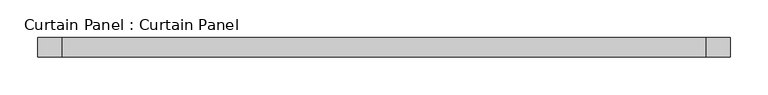
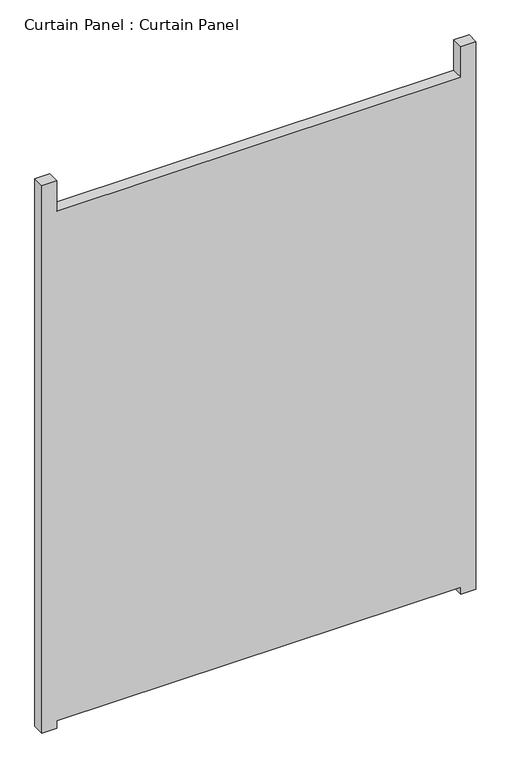
"""IFC4 building model written with IfcOpenShell, lengths in millimetres: plate geometry, Curtain Panel : Curtain Panel."""

from ifc_helpers import new_model, si_unit, frame, origin, place, context, project, spatial, polyline, outline, extrude, source, transform, mapped, element, save


def curtain_panel_curtain_panel_1bf83f31(model_context):
    return source(origin(), model_context, "Body", "SweptSolid", [
        extrude(outline(polyline([(1758.3024539, -39845.7944373), (1774.1774538, -39845.7944373), (1774.1774538, -38994.8944373), (1758.3024539, -38994.8944373), (1758.3024539, -38963.1444373), (2977.5024539, -38963.1444373), (2977.5024539, -38994.8944373), (2909.6737298, -38994.8944373), (2909.6737298, -39845.7944373), (2977.5024539, -39845.7944373), (2977.5024539, -39877.5444373), (1758.3024539, -39877.5444373), (1758.3024539, -39845.7944373)])), frame((0.0, -1996.9602036, 0.0), z_axis=(0.0, 1.0, 0.0), x_axis=(0.0, 0.0, 1.0)), (0.0, 0.0, 1.0), 25.4),
    ])


if __name__ == "__main__":
    model = new_model("IFC4")
    model_context = context("Model", 3, world=origin())
    ifc_project = project(units=[si_unit("LENGTHUNIT", "METRE", prefix="MILLI")], contexts=[model_context])
    site = spatial("IfcSite", under=ifc_project)
    building = spatial("IfcBuilding", under=site)
    placement = place(None, origin())
    curtain_panel_curtain_panel_shape = curtain_panel_curtain_panel_1bf83f31(model_context)
    element("IfcPlate", 1, ObjectType="Curtain Panel : Curtain Panel", at=placement, inside=building, context=model_context, shape_type="MappedRepresentation", body=[
        mapped(curtain_panel_curtain_panel_shape, transform((0.0, 0.0, 0.0), x_axis=(1.0, 0.0, 0.0), y_axis=(0.0, 1.0, 0.0), z_axis=(0.0, 0.0, 1.0))),
    ])
    save(model, "model.ifc")
